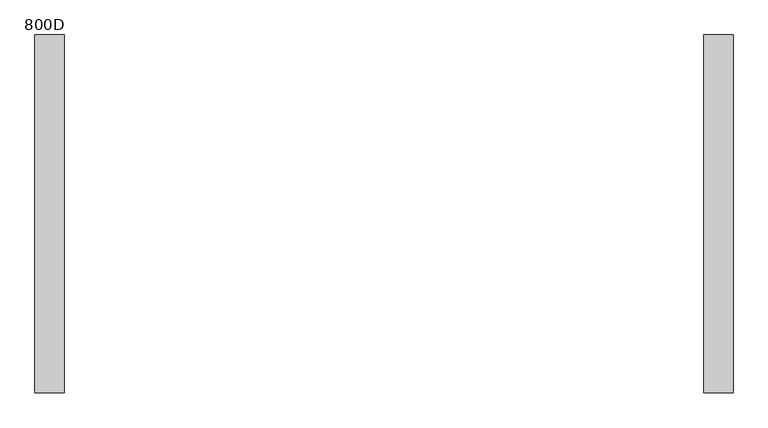
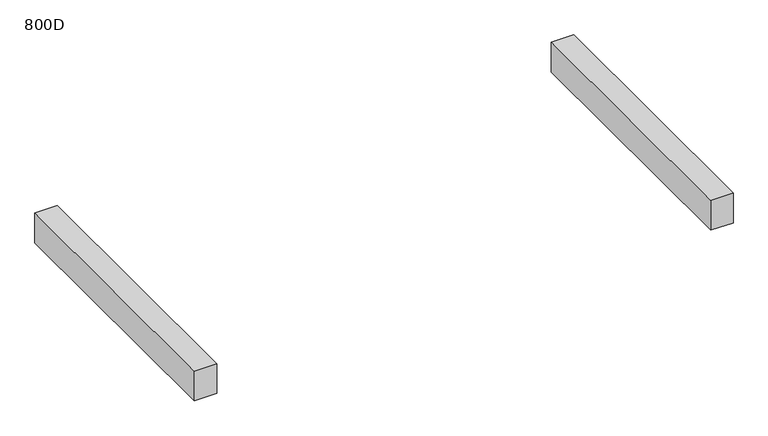
"""IFC4 building model written with IfcOpenShell, lengths in millimetres: furniture geometry, 800D."""

import ifcopenshell
import ifcopenshell.guid

model = None  # the IFC model being written
_history = None  # IfcOwnerHistory: only IFC2X3 demands one
_inside = {}  # id of a spatial element -> (the spatial element, [elements in it])
_under = {}  # id of a project, library or spatial element -> (it, [spatial elements below it])
_declared = {}  # id of a project -> (the project, [libraries it declares])
_typed = {}  # id of a type object -> (the type object, [elements of that type])
_made_of = {}  # id of a material, layer set ... -> (it, [elements and type objects made of it])


def new_model(schema):
    """Start an empty IFC model of exactly this schema.

    Asked for "IFC4X3", IfcOpenShell would pick the latest addendum, in which some entities
    have other attributes; the version numbers below select the first issue.
    IFC2X3 requires an IfcOwnerHistory on every rooted entity: one is made here for all.
    """
    global model, _history
    if schema == "IFC4X3":
        model = ifcopenshell.file(schema_version=(4, 3, 0, 0))
    else:
        model = ifcopenshell.file(schema=schema)
    _inside.clear()
    _under.clear()
    _declared.clear()
    _typed.clear()
    _made_of.clear()
    _history = None
    if model.schema == "IFC2X3":
        org = make("IfcOrganization", Name="unknown")
        user = make(
            "IfcPersonAndOrganization",
            ThePerson=make("IfcPerson", FamilyName="unknown"),
            TheOrganization=org,
        )
        app = make(
            "IfcApplication",
            ApplicationDeveloper=org,
            Version="unknown",
            ApplicationFullName="unknown",
            ApplicationIdentifier="unknown",
        )
        _history = make(
            "IfcOwnerHistory",
            OwningUser=user,
            OwningApplication=app,
            ChangeAction="ADDED",
            CreationDate=0,
        )
    return model


def make(cls, **values):
    """One entity of the class cls with the attributes given. An attribute that is None is left unset."""
    return model.create_entity(
        cls, **{name: value for name, value in values.items() if value is not None}
    )


def rooted(cls, **values):
    """An entity with a GlobalId (a new one), such as an element, a storey or a relation."""
    return make(cls, GlobalId=ifcopenshell.guid.new(), OwnerHistory=_history, **values)


def si_unit(unit_type, name, prefix=None):
    """IfcSIUnit, for example si_unit("LENGTHUNIT", "METRE", prefix="MILLI")."""
    return make("IfcSIUnit", UnitType=unit_type, Prefix=prefix, Name=name)


def assignment(units):
    """IfcUnitAssignment: the units of a project."""
    return None if units is None else make("IfcUnitAssignment", Units=units)


def point(xyz):
    """IfcCartesianPoint."""
    return None if xyz is None else make("IfcCartesianPoint", Coordinates=xyz)


def direction(xyz):
    """IfcDirection."""
    return None if xyz is None else make("IfcDirection", DirectionRatios=xyz)


def frame(location, z_axis=None, x_axis=None):
    """IfcAxis2Placement3D, a coordinate frame: its origin and axes. An axis left out is left unset."""
    return make(
        "IfcAxis2Placement3D",
        Location=point(location),
        Axis=direction(z_axis),
        RefDirection=direction(x_axis),
    )


def origin():
    """The frame at (0, 0, 0) with its axes left unset."""
    return frame((0.0, 0.0, 0.0))


def place(relative_to, where):
    """IfcLocalPlacement: puts the frame where relative to a parent placement (None: the world)."""
    return make(
        "IfcLocalPlacement", PlacementRelTo=relative_to, RelativePlacement=where
    )


def context(
    kind, dimensions, precision=None, world=None, true_north=None, identifier=None
):
    """IfcGeometricRepresentationContext, for example the 3D "Model" context."""
    return make(
        "IfcGeometricRepresentationContext",
        ContextIdentifier=identifier,
        ContextType=kind,
        CoordinateSpaceDimension=dimensions,
        Precision=precision,
        WorldCoordinateSystem=world,
        TrueNorth=true_north,
    )


def project(units=None, contexts=None):
    """IfcProject with its units and contexts."""
    return rooted(
        "IfcProject",
        Name="project",
        RepresentationContexts=contexts,
        UnitsInContext=assignment(units),
    )


def spatial(cls, under=None, at=None, **own):
    """A site, building, storey or space (cls), placed at a placement, below another one or the project."""
    s = rooted(cls, ObjectPlacement=at, **own)
    if under is not None:
        _under.setdefault(under.id(), (under, []))[1].append(s)
    return s


def polyline(points):
    """IfcPolyline through the points."""
    return make("IfcPolyline", Points=[point(p) for p in points])


def outline(outer, holes=None, kind="AREA"):
    """IfcArbitraryClosedProfileDef: a profile drawn as a closed curve; with holes, ...WithVoids."""
    if holes is None:
        return make("IfcArbitraryClosedProfileDef", ProfileType=kind, OuterCurve=outer)
    return make(
        "IfcArbitraryProfileDefWithVoids",
        ProfileType=kind,
        OuterCurve=outer,
        InnerCurves=holes,
    )


def extrude(swept, where, along, depth):
    """IfcExtrudedAreaSolid: the profile swept, set in the frame where, extruded along a direction by depth."""
    return make(
        "IfcExtrudedAreaSolid",
        SweptArea=swept,
        Position=where,
        ExtrudedDirection=direction(along),
        Depth=depth,
    )


def shape(context_of_items, identifier, shape_type, items):
    """IfcShapeRepresentation: the items that make up one representation, for example the "Body"."""
    return make(
        "IfcShapeRepresentation",
        ContextOfItems=context_of_items,
        RepresentationIdentifier=identifier,
        RepresentationType=shape_type,
        Items=items,
    )


def source(mapping_origin, context_of_items, identifier, shape_type, items):
    """IfcRepresentationMap: a shape defined once, which mapped items show again and again."""
    return make(
        "IfcRepresentationMap",
        MappingOrigin=mapping_origin,
        MappedRepresentation=shape(context_of_items, identifier, shape_type, items),
    )


def transform(
    local_origin,
    x_axis=None,
    y_axis=None,
    z_axis=None,
    scale=None,
    scale2=None,
    scale3=None,
    uniform=True,
):
    """IfcCartesianTransformationOperator3D, or its non-uniform kind. x_axis, y_axis, z_axis: its Axis1, 2, 3."""
    if uniform:
        return make(
            "IfcCartesianTransformationOperator3D",
            Axis1=direction(x_axis),
            Axis2=direction(y_axis),
            LocalOrigin=point(local_origin),
            Scale=scale,
            Axis3=direction(z_axis),
        )
    return make(
        "IfcCartesianTransformationOperator3DnonUniform",
        Axis1=direction(x_axis),
        Axis2=direction(y_axis),
        LocalOrigin=point(local_origin),
        Scale=scale,
        Axis3=direction(z_axis),
        Scale2=scale2,
        Scale3=scale3,
    )


def mapped(mapping_source, mapping_target):
    """IfcMappedItem: shows the shape of a source again, moved by a transform."""
    return make(
        "IfcMappedItem", MappingSource=mapping_source, MappingTarget=mapping_target
    )


def made_of(thing, what):
    """Note that an element or type object is made of a material, layer set ...; save() writes the relation."""
    if what is not None:
        _made_of.setdefault(what.id(), (what, []))[1].append(thing)
    return thing


def element(
    cls,
    number,
    at=None,
    inside=None,
    cuts=None,
    type_object=None,
    material=None,
    context=None,
    identifier="Body",
    shape_type=None,
    held_by="IfcProductDefinitionShape",
    body=None,
    shapes=None,
    **own,
):
    """One element of the class cls, such as IfcWall. Its Tag is "e" and its number.

    at: its placement. inside: the storey or other place that contains it. cuts: it is an
    opening in that element (IfcRelVoidsElement). A single representation is given by context,
    identifier, shape_type and body (its items); several are given by shapes. held_by: the class
    of the entity that holds the representations. save() writes the other relations.
    """
    e = rooted(cls, Tag="e%d" % number, ObjectPlacement=at, **own)
    if body is not None:
        shapes = [shape(context, identifier, shape_type, body)]
    if shapes is not None:
        e.Representation = make(held_by, Representations=shapes)
    if inside is not None:
        _inside.setdefault(inside.id(), (inside, []))[1].append(e)
    if cuts is not None:
        rooted(
            "IfcRelVoidsElement", RelatingBuildingElement=cuts, RelatedOpeningElement=e
        )
    if type_object is not None:
        _typed.setdefault(type_object.id(), (type_object, []))[1].append(e)
    return made_of(e, material)


def aggregate(whole, parts):
    """IfcRelAggregates: a whole, such as a stair, and the parts it consists of."""
    return rooted("IfcRelAggregates", RelatingObject=whole, RelatedObjects=parts)


def save(model, path):
    """Write the relations noted so far, then the file.

    IfcRelAggregates (storeys below a building ...), IfcRelContainedInSpatialStructure (elements
    in a storey), IfcRelDefinesByType, IfcRelAssociatesMaterial and IfcRelDeclares: one each for
    every whole, place, type object, material and project.
    """
    for whole, parts in _under.values():
        aggregate(whole, parts)
    for where, things in _inside.values():
        rooted(
            "IfcRelContainedInSpatialStructure",
            RelatedElements=things,
            RelatingStructure=where,
        )
    for kind, things in _typed.values():
        rooted("IfcRelDefinesByType", RelatedObjects=things, RelatingType=kind)
    for what, things in _made_of.values():
        rooted("IfcRelAssociatesMaterial", RelatedObjects=things, RelatingMaterial=what)
    for by, libraries in _declared.values():
        rooted("IfcRelDeclares", RelatingContext=by, RelatedDefinitions=libraries)
    model.write(path)


def furniture_800d_0ac80303(model_context):
    return source(origin(), model_context, "Body", "SweptSolid", [
        extrude(outline(polyline([(-659.9999968, 369.0), (-659.9999968, -369.0), (-720.0, -369.0), (-720.0, 369.0), (-659.9999968, 369.0)])), frame((0.0, 0.0, 435.0), z_axis=(0.0, 0.0, 1.0), x_axis=(1.0, 0.0, 0.0)), (0.0, 0.0, 1.0), 84.0),
        extrude(outline(polyline([(720.0, 369.0), (720.0, -369.0), (659.9999968, -369.0), (659.9999968, 369.0), (720.0, 369.0)])), frame((0.0, 0.0, 435.0), z_axis=(0.0, 0.0, 1.0), x_axis=(1.0, 0.0, 0.0)), (0.0, 0.0, 1.0), 84.0),
    ])


if __name__ == "__main__":
    model = new_model("IFC4")
    model_context = context("Model", 3, world=origin())
    ifc_project = project(units=[si_unit("LENGTHUNIT", "METRE", prefix="MILLI")], contexts=[model_context])
    site = spatial("IfcSite", under=ifc_project)
    building = spatial("IfcBuilding", under=site)
    placement = place(None, origin())
    furniture_800d_shape = furniture_800d_0ac80303(model_context)
    element("IfcFurniture", 1, ObjectType="800D", at=placement, inside=building, context=model_context, shape_type="MappedRepresentation", body=[
        mapped(furniture_800d_shape, transform((0.0, 0.0, 0.0), x_axis=(1.0, 0.0, 0.0), y_axis=(0.0, 1.0, 0.0), z_axis=(0.0, 0.0, 1.0))),
    ])
    save(model, "model.ifc")
